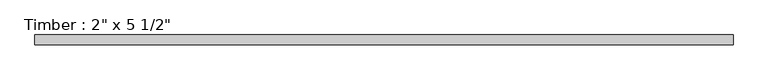
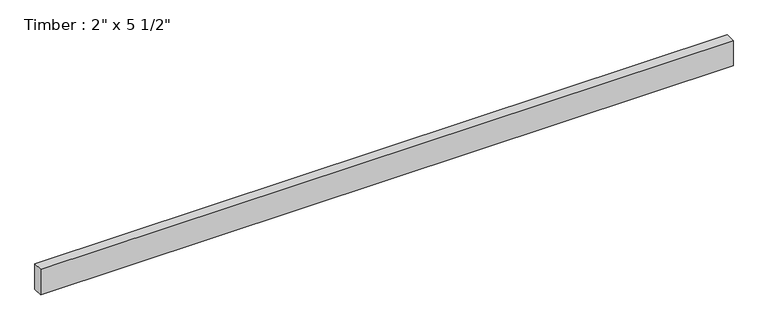
"""IFC4 building model written with IfcOpenShell, lengths in millimetres: beam geometry."""

from ifc_helpers import new_model, si_unit, frame, origin, place, context, project, spatial, polyline, outline, extrude, source, transform, mapped, element, save


def beam_0ffbd4bf(model_context):
    return source(origin(), model_context, "Body", "SweptSolid", [
        extrude(outline(polyline([(1802.3988379, 25.4), (1802.3988379, -25.4), (-1802.3988379, -25.4), (-1802.3988379, 25.4), (1802.3988379, 25.4)])), frame((0.0, 0.0, -69.85), z_axis=(0.0, 0.0, 1.0), x_axis=(1.0, 0.0, 0.0)), (0.0, 0.0, 1.0), 139.7),
    ])


if __name__ == "__main__":
    model = new_model("IFC4")
    model_context = context("Model", 3, world=origin())
    ifc_project = project(units=[si_unit("LENGTHUNIT", "METRE", prefix="MILLI")], contexts=[model_context])
    site = spatial("IfcSite", under=ifc_project)
    building = spatial("IfcBuilding", under=site)
    placement = place(None, origin())
    beam_shape = beam_0ffbd4bf(model_context)
    element("IfcBeam", 1, ObjectType="Timber : 2\" x 5 1/2\"", at=placement, inside=building, context=model_context, shape_type="MappedRepresentation", body=[
        mapped(beam_shape, transform((0.0, 0.0, 0.0), x_axis=(1.0, 0.0, 0.0), y_axis=(0.0, 1.0, 0.0), z_axis=(0.0, 0.0, 1.0))),
    ])
    save(model, "model.ifc")
